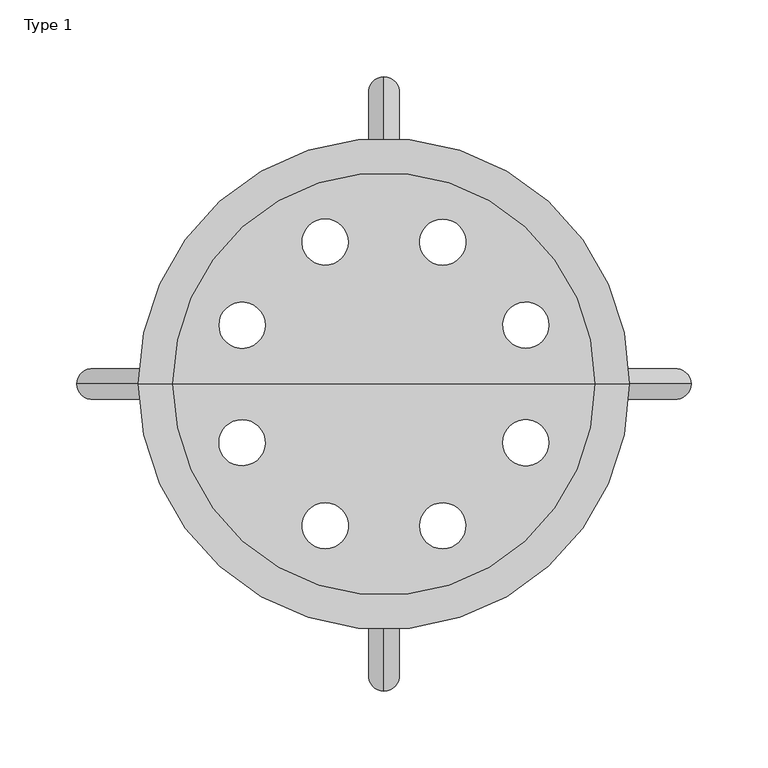
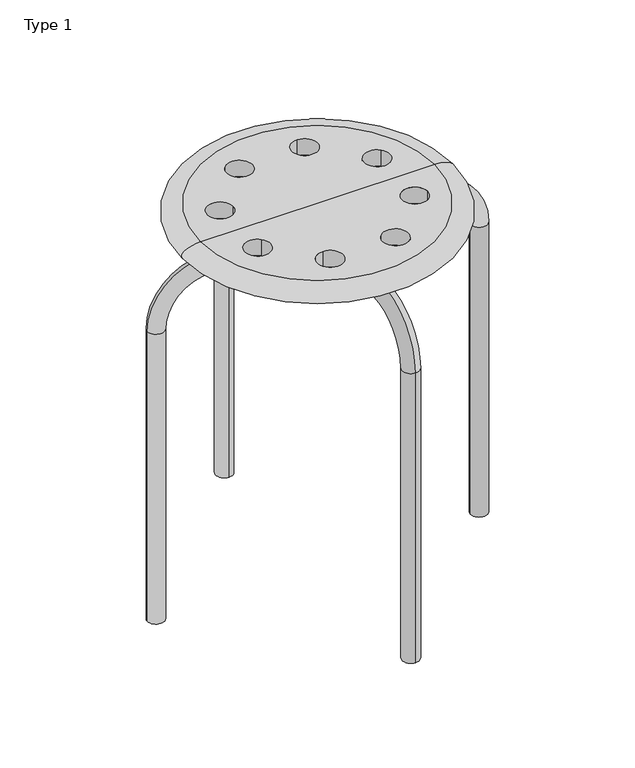
"""IFC4 building model written with IfcOpenShell, lengths in millimetres: furniture geometry, Type 1."""

from ifc_helpers import new_model, si_unit, point, frame, origin, place, context, project, spatial, polyline, circle_curve, ellipse_curve, trimmed, source, transform, mapped, element, save
from ifc_brep_helpers import plane_surface, cylinder_surface, revolved_surface, advanced_brep


def type_1_93ec9082(model_context):
    return source(origin(), model_context, "Body", "AdvancedBrep", [
        advanced_brep(
        [(137.6918662, 0.0, 430.0), (-137.6918662, 0.0, 430.0), (-137.6918662, 0.0, 450.0), (137.6918662, 0.0, 450.0), (0.0, 0.0, 430.0), (-77.3879533, 38.2683432, 430.0), (-107.3879533, 38.2683432, 430.0), (-27.6617415, 81.7813515, 430.0), (-48.874945, 102.994555, 430.0), (38.2683432, 77.3879533, 430.0), (38.2683432, 107.3879533, 430.0), (81.7813515, 27.6617415, 430.0), (102.994555, 48.874945, 430.0), (77.3879533, -38.2683432, 430.0), (107.3879533, -38.2683432, 430.0), (-81.7813515, -27.6617415, 430.0), (-102.994555, -48.874945, 430.0), (27.6617415, -81.7813515, 430.0), (48.874945, -102.994555, 430.0), (-38.2683432, -77.3879533, 430.0), (-38.2683432, -107.3879533, 430.0), (0.0, 0.0, 450.0), (-107.3879533, 38.2683432, 450.0), (-77.3879533, 38.2683432, 450.0), (-48.874945, 102.994555, 450.0), (-27.6617415, 81.7813515, 450.0), (38.2683432, 107.3879533, 450.0), (38.2683432, 77.3879533, 450.0), (102.994555, 48.874945, 450.0), (81.7813515, 27.6617415, 450.0), (-102.994555, -48.874945, 450.0), (-81.7813515, -27.6617415, 450.0), (107.3879533, -38.2683432, 450.0), (77.3879533, -38.2683432, 450.0), (48.874945, -102.994555, 450.0), (27.6617415, -81.7813515, 450.0), (-38.2683432, -107.3879533, 450.0), (-38.2683432, -77.3879533, 450.0)],
        [
            (0, 1, circle_curve(frame((0.0, 0.0, 430.0), z_axis=(0.0, 0.0, 1.0), x_axis=(-1.0, 0.0, 0.0)), 137.6918662)),
            (1, 2, ellipse_curve(frame((-137.6918662, 0.0, 440.0), z_axis=(0.0, 1.0, 0.0), x_axis=(1.0, 0.0, 0.0)), 22.3081338, 10.0)),
            (2, 3, circle_curve(frame((0.0, 0.0, 450.0), z_axis=(0.0, 0.0, -1.0), x_axis=(-1.0, 0.0, 0.0)), 137.6918662)),
            (3, 0, ellipse_curve(frame((137.6918662, 0.0, 440.0), z_axis=(0.0, 1.0, 0.0), x_axis=(-1.0, 0.0, 0.0)), 22.3081338, 10.0)),
            (1, 0, circle_curve(frame((0.0, 0.0, 430.0), z_axis=(0.0, 0.0, 1.0), x_axis=(-1.0, 0.0, 0.0)), 137.6918662)),
            (3, 2, circle_curve(frame((0.0, 0.0, 450.0), z_axis=(0.0, 0.0, -1.0), x_axis=(-1.0, 0.0, 0.0)), 137.6918662)),
            (0, 4),
            (4, 1),
            (5, 6, circle_curve(frame((-92.3879533, 38.2683432, 430.0), z_axis=(0.0, 0.0, 1.0), x_axis=(-1.0, 0.0, 0.0)), 15.0)),
            (6, 5, circle_curve(frame((-92.3879533, 38.2683432, 430.0), z_axis=(0.0, 0.0, 1.0), x_axis=(-1.0, 0.0, 0.0)), 15.0)),
            (7, 8, circle_curve(frame((-38.2683432, 92.3879533, 430.0), z_axis=(0.0, 0.0, 1.0), x_axis=(-0.7071067811865251, 0.70710678118657, 0.0)), 15.0)),
            (8, 7, circle_curve(frame((-38.2683432, 92.3879533, 430.0), z_axis=(0.0, 0.0, 1.0), x_axis=(-0.7071067811865251, 0.70710678118657, 0.0)), 15.0)),
            (9, 10, circle_curve(frame((38.2683432, 92.3879533, 430.0), z_axis=(0.0, 0.0, 1.0), x_axis=(0.0, 1.0, 0.0)), 15.0)),
            (10, 9, circle_curve(frame((38.2683432, 92.3879533, 430.0), z_axis=(0.0, 0.0, 1.0), x_axis=(0.0, 1.0, 0.0)), 15.0)),
            (11, 12, circle_curve(frame((92.3879533, 38.2683432, 430.0), z_axis=(0.0, 0.0, 1.0), x_axis=(0.7071067811865596, 0.7071067811865356, 0.0)), 15.0)),
            (12, 11, circle_curve(frame((92.3879533, 38.2683432, 430.0), z_axis=(0.0, 0.0, 1.0), x_axis=(0.7071067811865596, 0.7071067811865356, 0.0)), 15.0)),
            (13, 14, circle_curve(frame((92.3879533, -38.2683432, 430.0), z_axis=(0.0, 0.0, 1.0), x_axis=(1.0, 0.0, 0.0)), 15.0)),
            (14, 13, circle_curve(frame((92.3879533, -38.2683432, 430.0), z_axis=(0.0, 0.0, 1.0), x_axis=(1.0, 0.0, 0.0)), 15.0)),
            (15, 16, circle_curve(frame((-92.3879533, -38.2683432, 430.0), z_axis=(0.0, 0.0, 1.0), x_axis=(-0.7071067811865666, -0.7071067811865286, 0.0)), 15.0)),
            (16, 15, circle_curve(frame((-92.3879533, -38.2683432, 430.0), z_axis=(0.0, 0.0, 1.0), x_axis=(-0.7071067811865666, -0.7071067811865286, 0.0)), 15.0)),
            (17, 18, circle_curve(frame((38.2683432, -92.3879533, 430.0), z_axis=(0.0, 0.0, 1.0), x_axis=(0.7071067811865366, -0.7071067811865586, 0.0)), 15.0)),
            (18, 17, circle_curve(frame((38.2683432, -92.3879533, 430.0), z_axis=(0.0, 0.0, 1.0), x_axis=(0.7071067811865366, -0.7071067811865586, 0.0)), 15.0)),
            (19, 20, circle_curve(frame((-38.2683432, -92.3879533, 430.0), z_axis=(0.0, 0.0, 1.0), x_axis=(0.0, -1.0, 0.0)), 15.0)),
            (20, 19, circle_curve(frame((-38.2683432, -92.3879533, 430.0), z_axis=(0.0, 0.0, 1.0), x_axis=(0.0, -1.0, 0.0)), 15.0)),
            (2, 21),
            (21, 3),
            (22, 23, circle_curve(frame((-92.3879533, 38.2683432, 450.0), z_axis=(0.0, 0.0, -1.0), x_axis=(-1.0, 0.0, 0.0)), 15.0)),
            (23, 22, circle_curve(frame((-92.3879533, 38.2683432, 450.0), z_axis=(0.0, 0.0, -1.0), x_axis=(-1.0, 0.0, 0.0)), 15.0)),
            (24, 25, circle_curve(frame((-38.2683432, 92.3879533, 450.0), z_axis=(0.0, 0.0, -1.0), x_axis=(-0.7071067811865251, 0.70710678118657, 0.0)), 15.0)),
            (25, 24, circle_curve(frame((-38.2683432, 92.3879533, 450.0), z_axis=(0.0, 0.0, -1.0), x_axis=(-0.7071067811865251, 0.70710678118657, 0.0)), 15.0)),
            (26, 27, circle_curve(frame((38.2683432, 92.3879533, 450.0), z_axis=(0.0, 0.0, -1.0), x_axis=(0.0, 1.0, 0.0)), 15.0)),
            (27, 26, circle_curve(frame((38.2683432, 92.3879533, 450.0), z_axis=(0.0, 0.0, -1.0), x_axis=(0.0, 1.0, 0.0)), 15.0)),
            (28, 29, circle_curve(frame((92.3879533, 38.2683432, 450.0), z_axis=(0.0, 0.0, -1.0), x_axis=(0.7071067811865596, 0.7071067811865356, 0.0)), 15.0)),
            (29, 28, circle_curve(frame((92.3879533, 38.2683432, 450.0), z_axis=(0.0, 0.0, -1.0), x_axis=(0.7071067811865596, 0.7071067811865356, 0.0)), 15.0)),
            (30, 31, circle_curve(frame((-92.3879533, -38.2683432, 450.0), z_axis=(0.0, 0.0, -1.0), x_axis=(-0.7071067811865666, -0.7071067811865286, 0.0)), 15.0)),
            (31, 30, circle_curve(frame((-92.3879533, -38.2683432, 450.0), z_axis=(0.0, 0.0, -1.0), x_axis=(-0.7071067811865666, -0.7071067811865286, 0.0)), 15.0)),
            (32, 33, circle_curve(frame((92.3879533, -38.2683432, 450.0), z_axis=(0.0, 0.0, -1.0), x_axis=(1.0, 0.0, 0.0)), 15.0)),
            (33, 32, circle_curve(frame((92.3879533, -38.2683432, 450.0), z_axis=(0.0, 0.0, -1.0), x_axis=(1.0, 0.0, 0.0)), 15.0)),
            (34, 35, circle_curve(frame((38.2683432, -92.3879533, 450.0), z_axis=(0.0, 0.0, -1.0), x_axis=(0.7071067811865366, -0.7071067811865586, 0.0)), 15.0)),
            (35, 34, circle_curve(frame((38.2683432, -92.3879533, 450.0), z_axis=(0.0, 0.0, -1.0), x_axis=(0.7071067811865366, -0.7071067811865586, 0.0)), 15.0)),
            (36, 37, circle_curve(frame((-38.2683432, -92.3879533, 450.0), z_axis=(0.0, 0.0, -1.0), x_axis=(0.0, -1.0, 0.0)), 15.0)),
            (37, 36, circle_curve(frame((-38.2683432, -92.3879533, 450.0), z_axis=(0.0, 0.0, -1.0), x_axis=(0.0, -1.0, 0.0)), 15.0)),
            (5, 23),
            (22, 6),
            (15, 31),
            (30, 16),
            (7, 25),
            (24, 8),
            (9, 27),
            (26, 10),
            (11, 29),
            (28, 12),
            (13, 33),
            (32, 14),
            (17, 35),
            (34, 18),
            (19, 37),
            (36, 20),
        ],
        [
            revolved_surface(trimmed(ellipse_curve(frame((-137.6918662, 0.0, 440.0), z_axis=(0.0, -1.0, 0.0), x_axis=(0.0, 0.0, -1.0)), 10.0, 22.3081338), [point((-137.6918662, 0.0, 450.0))], [point((-137.6918662, 0.0, 430.0))], True, "CARTESIAN"), (0.0, 0.0, 540.0), (0.0, 0.0, -1.0)),
            plane_surface(frame((0.0, 0.0, 430.0), z_axis=(0.0, 0.0, -1.0), x_axis=(-1.0, 0.0, 0.0))),
            plane_surface(frame((0.0, 0.0, 450.0), z_axis=(0.0, 0.0, 1.0), x_axis=(-1.0, 0.0, 0.0))),
            revolved_surface(polyline([(-107.3879533, 38.2683432, 450.0), (-107.3879533, 38.2683432, 430.0)]), (-92.3879533, 38.2683432, 306.7514836), (0.0, 0.0, 1.0)),
            revolved_surface(polyline([(-102.9945550177985, -48.874944917797926, 450.0), (-102.9945550177985, -48.874944917797926, 430.0)]), (-92.3879533, -38.2683432, 306.7514836), (0.0, 0.0, 1.0)),
            revolved_surface(polyline([(-48.874944917797876, 102.99455501779856, 450.0), (-48.874944917797876, 102.99455501779856, 430.0)]), (-38.2683432, 92.3879533, 306.7514836), (0.0, 0.0, 1.0)),
            revolved_surface(polyline([(38.2683432, 107.3879533, 450.0), (38.2683432, 107.3879533, 430.0)]), (38.2683432, 92.3879533, 306.7514836), (0.0, 0.0, 1.0)),
            revolved_surface(polyline([(102.9945550177984, 48.87494491779803, 450.0), (102.9945550177984, 48.87494491779803, 430.0)]), (92.3879533, 38.2683432, 306.7514836), (0.0, 0.0, 1.0)),
            revolved_surface(polyline([(107.3879533, -38.2683432, 450.0), (107.3879533, -38.2683432, 430.0)]), (92.3879533, -38.2683432, 306.7514836), (0.0, 0.0, 1.0)),
            revolved_surface(polyline([(48.87494491779805, -102.99455501779839, 450.00000000000006), (48.87494491779805, -102.99455501779839, 430.00000000000006)]), (38.2683432, -92.3879533, 306.7514836), (0.0, 0.0, 1.0000000000000002)),
            revolved_surface(polyline([(-38.2683432, -107.3879533, 450.0), (-38.2683432, -107.3879533, 430.0)]), (-38.2683432, -92.3879533, 306.7514836), (0.0, 0.0, 1.0)),
        ],
        [
            (0, [[1, 2, 3, 4]]),
            (0, [[-2, 5, -4, 6]]),
            (1, [[-1, 7, 8], [9, 10], [11, 12], [13, 14], [15, 16]]),
            (1, [[-5, -8, -7], [17, 18], [19, 20], [21, 22], [23, 24]]),
            (2, [[-3, 25, 26], [27, 28], [29, 30], [31, 32], [33, 34]]),
            (2, [[-6, -26, -25], [35, 36], [37, 38], [39, 40], [41, 42]]),
            (3, [[43, -27, 44, -9]]),
            (3, [[-43, -10, -44, -28]]),
            (4, [[45, -35, 46, -19]]),
            (4, [[-45, -20, -46, -36]]),
            (5, [[47, -29, 48, -11]]),
            (5, [[-47, -12, -48, -30]]),
            (6, [[49, -31, 50, -13]]),
            (6, [[-49, -14, -50, -32]]),
            (7, [[51, -33, 52, -15]]),
            (7, [[-51, -16, -52, -34]]),
            (8, [[53, -37, 54, -17]]),
            (8, [[-53, -18, -54, -38]]),
            (9, [[55, -39, 56, -21]]),
            (9, [[-55, -22, -56, -40]]),
            (10, [[57, -41, 58, -23]]),
            (10, [[-57, -24, -58, -42]]),
        ],
    ),
        advanced_brep(
        [(0.0, 200.0175716, 0.0), (0.0, 180.0175716, 0.0), (0.0, 200.0175716, 360.0), (0.0, 180.0175716, 360.0), (0.0, 130.0, 410.0175716), (0.0, 130.0, 430.0175716), (0.0, -130.0, 430.0175716), (0.0, -130.0, 410.0175716), (0.0, -180.0175716, 360.0), (0.0, -200.0175716, 360.0), (0.0, -200.0175716, 0.0), (0.0, -180.0175716, 0.0)],
        [
            (0, 1, circle_curve(frame((0.0, 190.0175716, 0.0), z_axis=(0.0, 0.0, -1.0), x_axis=(0.0, -1.0, 0.0)), 10.0)),
            (1, 0, circle_curve(frame((0.0, 190.0175716, 0.0), z_axis=(0.0, 0.0, -1.0), x_axis=(0.0, -1.0, 0.0)), 10.0)),
            (0, 2),
            (2, 3, circle_curve(frame((0.0, 190.0175716, 360.0), z_axis=(0.0, 0.0, -1.0), x_axis=(0.0, -1.0, 0.0)), 10.0)),
            (3, 1),
            (3, 2, circle_curve(frame((0.0, 190.0175716, 360.0), z_axis=(0.0, 0.0, -1.0), x_axis=(0.0, -1.0, 0.0)), 10.0)),
            (4, 3, circle_curve(frame((0.0, 130.0, 360.0), z_axis=(-1.0, 0.0, 0.0), x_axis=(0.0, 1.0, 0.0)), 50.0175716)),
            (2, 5, circle_curve(frame((0.0, 130.0, 360.0), z_axis=(1.0, 0.0, 0.0), x_axis=(0.0, 1.0, 0.0)), 70.0175716)),
            (5, 4, circle_curve(frame((0.0, 130.0, 420.0175716), z_axis=(0.0, 1.0, 0.0), x_axis=(0.0, 0.0, -1.0)), 10.0)),
            (4, 5, circle_curve(frame((0.0, 130.0, 420.0175716), z_axis=(0.0, 1.0, 0.0), x_axis=(0.0, 0.0, -1.0)), 10.0)),
            (5, 6),
            (6, 7, circle_curve(frame((0.0, -130.0, 420.0175716), z_axis=(0.0, 1.0, 0.0), x_axis=(0.0, 0.0, -1.0)), 10.0)),
            (7, 4),
            (7, 6, circle_curve(frame((0.0, -130.0, 420.0175716), z_axis=(0.0, 1.0, 0.0), x_axis=(0.0, 0.0, -1.0)), 10.0)),
            (8, 7, circle_curve(frame((0.0, -130.0, 360.0), z_axis=(-1.0, 0.0, 0.0), x_axis=(0.0, 0.0, 1.0)), 50.0175716)),
            (6, 9, circle_curve(frame((0.0, -130.0, 360.0), z_axis=(1.0, 0.0, 0.0), x_axis=(0.0, 0.0, 1.0)), 70.0175716)),
            (9, 8, circle_curve(frame((0.0, -190.0175716, 360.0), z_axis=(0.0, 0.0, 1.0), x_axis=(0.0, 1.0, 0.0)), 10.0)),
            (8, 9, circle_curve(frame((0.0, -190.0175716, 360.0), z_axis=(0.0, 0.0, 1.0), x_axis=(0.0, 1.0, 0.0)), 10.0)),
            (10, 11, circle_curve(frame((0.0, -190.0175716, 0.0), z_axis=(0.0, 0.0, -1.0), x_axis=(0.0, 1.0, 0.0)), 10.0)),
            (11, 10, circle_curve(frame((0.0, -190.0175716, 0.0), z_axis=(0.0, 0.0, -1.0), x_axis=(0.0, 1.0, 0.0)), 10.0)),
            (9, 10),
            (11, 8),
        ],
        [
            plane_surface(frame((0.0, 200.0, 0.0), z_axis=(0.0, 0.0, -1.0), x_axis=(1.0, 0.0, 0.0))),
            cylinder_surface(frame((0.0, 190.0175716, 0.0), z_axis=(0.0, 0.0, -1.0), x_axis=(0.0, -1.0, 0.0)), 10.0),
            revolved_surface(trimmed(ellipse_curve(frame((0.0, 190.0175716, 360.0), z_axis=(0.0, 0.0, -1.0), x_axis=(0.0, -1.0, 0.0)), 10.0, 10.0), [point((0.0, 200.0175716, 360.0))], [point((0.0, 180.0175716, 360.0))], True, "CARTESIAN"), (0.0, 130.0, 360.0), (1.0, 0.0, 0.0)),
            revolved_surface(trimmed(ellipse_curve(frame((0.0, 190.0175716, 360.0), z_axis=(0.0, 0.0, -1.0), x_axis=(0.0, -1.0, 0.0)), 10.0, 10.0), [point((0.0, 180.0175716, 360.0))], [point((0.0, 200.0175716, 360.0))], True, "CARTESIAN"), (0.0, 130.0, 360.0), (1.0, 0.0, 0.0)),
            cylinder_surface(frame((0.0, 130.0, 420.0175716), z_axis=(0.0, 1.0, 0.0), x_axis=(0.0, 0.0, -1.0)), 10.0),
            revolved_surface(trimmed(ellipse_curve(frame((0.0, -130.0, 420.0175716), z_axis=(0.0, 1.0, 0.0), x_axis=(0.0, 0.0, -1.0)), 10.0, 10.0), [point((0.0, -130.0, 430.0175716))], [point((0.0, -130.0, 410.0175716))], True, "CARTESIAN"), (0.0, -130.0, 360.0), (1.0, 0.0, 0.0)),
            revolved_surface(trimmed(ellipse_curve(frame((0.0, -130.0, 420.0175716), z_axis=(0.0, 1.0, 0.0), x_axis=(0.0, 0.0, -1.0)), 10.0, 10.0), [point((0.0, -130.0, 410.0175716))], [point((0.0, -130.0, 430.0175716))], True, "CARTESIAN"), (0.0, -130.0, 360.0), (1.0, 0.0, 0.0)),
            plane_surface(frame((0.0, -200.0, 0.0), z_axis=(0.0, 0.0, -1.0), x_axis=(1.0, 0.0, 0.0))),
            cylinder_surface(frame((0.0, -190.0175716, 360.0), z_axis=(0.0, 0.0, 1.0), x_axis=(0.0, 1.0, 0.0)), 10.0),
        ],
        [
            (0, [[1, 2]]),
            (1, [[-1, 3, 4, 5]]),
            (1, [[-2, -5, 6, -3]]),
            (2, [[7, -4, 8, 9]]),
            (3, [[-8, -6, -7, 10]]),
            (4, [[-9, 11, 12, 13]]),
            (4, [[-10, -13, 14, -11]]),
            (5, [[15, -12, 16, 17]]),
            (6, [[-16, -14, -15, 18]]),
            (7, [[19, 20]]),
            (8, [[-17, 21, -20, 22]]),
            (8, [[-18, -22, -19, -21]]),
        ],
    ),
        advanced_brep(
        [(-180.0, 0.0, 0.0), (-200.0, 0.0, 0.0), (-180.0, 0.0, 360.0), (-200.0, 0.0, 360.0), (-130.0, 0.0, 430.0), (-130.0, 0.0, 410.0), (130.0, 0.0, 410.0), (130.0, 0.0, 430.0), (180.0, 0.0, 0.0), (200.0, 0.0, 0.0), (200.0, 0.0, 360.0), (180.0, 0.0, 360.0)],
        [
            (0, 1, circle_curve(frame((-190.0, 0.0, 0.0), z_axis=(0.0, 0.0, -1.0), x_axis=(-1.0, 0.0, 0.0)), 10.0)),
            (1, 0, circle_curve(frame((-190.0, 0.0, 0.0), z_axis=(0.0, 0.0, -1.0), x_axis=(-1.0, 0.0, 0.0)), 10.0)),
            (0, 2),
            (2, 3, circle_curve(frame((-190.0, 0.0, 360.0), z_axis=(0.0, 0.0, -1.0), x_axis=(-1.0, 0.0, 0.0)), 10.0)),
            (3, 1),
            (3, 2, circle_curve(frame((-190.0, 0.0, 360.0), z_axis=(0.0, 0.0, -1.0), x_axis=(-1.0, 0.0, 0.0)), 10.0)),
            (4, 5, circle_curve(frame((-130.0, 0.0, 420.0), z_axis=(1.0, 0.0, 0.0), x_axis=(0.0, 0.0, 1.0)), 10.0)),
            (5, 6),
            (6, 7, circle_curve(frame((130.0, 0.0, 420.0), z_axis=(-1.0, 0.0, 0.0), x_axis=(0.0, 0.0, 1.0)), 10.0)),
            (7, 4),
            (5, 4, circle_curve(frame((-130.0, 0.0, 420.0), z_axis=(1.0, 0.0, 0.0), x_axis=(0.0, 0.0, 1.0)), 10.0)),
            (7, 6, circle_curve(frame((130.0, 0.0, 420.0), z_axis=(-1.0, 0.0, 0.0), x_axis=(0.0, 0.0, 1.0)), 10.0)),
            (8, 9, circle_curve(frame((190.0, 0.0, 0.0), z_axis=(0.0, 0.0, -1.0), x_axis=(1.0, 0.0, 0.0)), 10.0)),
            (9, 8, circle_curve(frame((190.0, 0.0, 0.0), z_axis=(0.0, 0.0, -1.0), x_axis=(1.0, 0.0, 0.0)), 10.0)),
            (10, 11, circle_curve(frame((190.0, 0.0, 360.0), z_axis=(0.0, 0.0, -1.0), x_axis=(1.0, 0.0, 0.0)), 10.0)),
            (11, 8),
            (9, 10),
            (11, 10, circle_curve(frame((190.0, 0.0, 360.0), z_axis=(0.0, 0.0, -1.0), x_axis=(1.0, 0.0, 0.0)), 10.0)),
            (4, 3, circle_curve(frame((-130.0, 0.0, 360.0), z_axis=(0.0, -1.0, 0.0), x_axis=(-1.0, 0.0, 0.0)), 70.0)),
            (2, 5, circle_curve(frame((-130.0, 0.0, 360.0), z_axis=(0.0, 1.0, 0.0), x_axis=(-1.0, 0.0, 0.0)), 50.0)),
            (10, 7, circle_curve(frame((130.0, 0.0, 360.0), z_axis=(0.0, -1.0, 0.0), x_axis=(0.0, 0.0, 1.0)), 70.0)),
            (6, 11, circle_curve(frame((130.0, 0.0, 360.0), z_axis=(0.0, 1.0, 0.0), x_axis=(0.0, 0.0, 1.0)), 50.0)),
        ],
        [
            plane_surface(frame((-200.0, 0.0, 0.0), z_axis=(0.0, 0.0, -1.0), x_axis=(0.0, -1.0, 0.0))),
            cylinder_surface(frame((-190.0, 0.0, 0.0), z_axis=(0.0, 0.0, -1.0), x_axis=(-1.0, 0.0, 0.0)), 10.0),
            cylinder_surface(frame((-130.0, 0.0, 420.0), z_axis=(-1.0, 0.0, 0.0), x_axis=(0.0, 0.0, 1.0)), 10.0),
            plane_surface(frame((200.0, 0.0, 0.0), z_axis=(0.0, 0.0, -1.0), x_axis=(0.0, -1.0, 0.0))),
            cylinder_surface(frame((190.0, 0.0, 360.0), z_axis=(0.0, 0.0, 1.0), x_axis=(1.0, 0.0, 0.0)), 10.0),
            revolved_surface(trimmed(ellipse_curve(frame((-190.0, 0.0, 360.0), z_axis=(0.0, 0.0, -1.0), x_axis=(-1.0, 0.0, 0.0)), 10.0, 10.0), [point((-180.0, 0.0, 360.0))], [point((-200.0, 0.0, 360.0))], True, "CARTESIAN"), (-130.0, 0.0, 360.0), (0.0, 1.0, 0.0)),
            revolved_surface(trimmed(ellipse_curve(frame((-190.0, 0.0, 360.0), z_axis=(0.0, 0.0, -1.0), x_axis=(-1.0, 0.0, 0.0)), 10.0, 10.0), [point((-200.0, 0.0, 360.0))], [point((-180.0, 0.0, 360.0))], True, "CARTESIAN"), (-130.0, 0.0, 360.0), (0.0, 1.0, 0.0)),
            revolved_surface(trimmed(ellipse_curve(frame((130.0, 0.0, 420.0), z_axis=(-1.0, 0.0, 0.0), x_axis=(0.0, 0.0, 1.0)), 10.0, 10.0), [point((130.0, 0.0, 410.0))], [point((130.0, 0.0, 430.0))], True, "CARTESIAN"), (130.0, 0.0, 360.0), (0.0, 1.0, 0.0)),
            revolved_surface(trimmed(ellipse_curve(frame((130.0, 0.0, 420.0), z_axis=(-1.0, 0.0, 0.0), x_axis=(0.0, 0.0, 1.0)), 10.0, 10.0), [point((130.0, 0.0, 430.0))], [point((130.0, 0.0, 410.0))], True, "CARTESIAN"), (130.0, 0.0, 360.0), (0.0, 1.0, 0.0)),
        ],
        [
            (0, [[1, 2]]),
            (1, [[-1, 3, 4, 5]]),
            (1, [[-2, -5, 6, -3]]),
            (2, [[7, 8, 9, 10]]),
            (2, [[11, -10, 12, -8]]),
            (3, [[13, 14]]),
            (4, [[15, 16, -14, 17]]),
            (4, [[18, -17, -13, -16]]),
            (5, [[19, -4, 20, -7]]),
            (6, [[-20, -6, -19, -11]]),
            (7, [[21, -9, 22, -15]]),
            (8, [[-22, -12, -21, -18]]),
        ],
    ),
    ])


if __name__ == "__main__":
    model = new_model("IFC4")
    model_context = context("Model", 3, world=origin())
    ifc_project = project(units=[si_unit("LENGTHUNIT", "METRE", prefix="MILLI")], contexts=[model_context])
    site = spatial("IfcSite", under=ifc_project)
    building = spatial("IfcBuilding", under=site)
    placement = place(None, origin())
    type_1_shape = type_1_93ec9082(model_context)
    element("IfcFurniture", 1, ObjectType="Type 1", at=placement, inside=building, context=model_context, shape_type="MappedRepresentation", body=[
        mapped(type_1_shape, transform((0.0, 0.0, 0.0), x_axis=(1.0, 0.0, 0.0), y_axis=(0.0, 1.0, 0.0), z_axis=(0.0, 0.0, 1.0))),
    ])
    save(model, "model.ifc")
